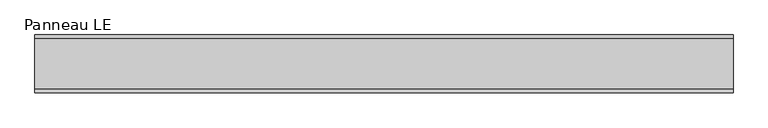
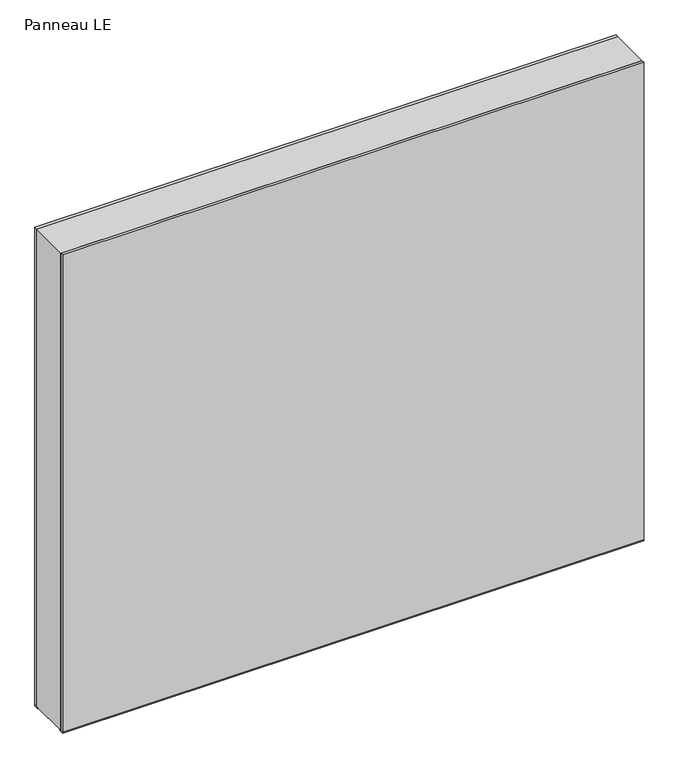
"""IFC4 building model written with IfcOpenShell, lengths in millimetres: plate geometry, Panneau LE."""

from ifc_helpers import new_model, si_unit, frame, origin, origin_with_axes, place, context, project, spatial, polyline, outline, extrude, source, transform, mapped, element, save


def panneau_le_d49adb92(model_context):
    return source(origin(), model_context, "Body", "SweptSolid", [
        extrude(outline(polyline([(946.5, 544.8750001), (946.5, -544.8750001), (0.0, -544.8750001), (0.0, 544.8750001), (946.5, 544.8750001)]), holes=[polyline([(60.0, -504.8750001), (920.5, -504.8750001), (920.5, 504.8750001), (60.0, 504.8750001), (60.0, -504.8750001)])]), frame((0.0, -39.0, 0.0), z_axis=(0.0, 1.0, 0.0), x_axis=(0.0, 0.0, 1.0)), (0.0, 0.0, 1.0), 78.0),
        extrude(outline(polyline([(-544.8750001, 35.0), (-544.8750001, 45.0), (544.8750001, 45.0), (544.8750001, 35.0), (-544.8750001, 35.0)])), frame((0.0, 0.0, -1.5), z_axis=(0.0, 0.0, 1.0), x_axis=(1.0, 0.0, 0.0)), (0.0, 0.0, 1.0), 1.5),
        extrude(outline(polyline([(-544.8750001, -45.0), (-544.8750001, -35.0), (544.8750001, -35.0), (544.8750001, -45.0), (-544.8750001, -45.0)])), frame((0.0, 0.0, -1.5), z_axis=(0.0, 0.0, 1.0), x_axis=(1.0, 0.0, 0.0)), (0.0, 0.0, 1.0), 1.5),
        extrude(outline(polyline([(544.8750001, 39.0), (-544.8750001, 39.0), (-544.8750001, 45.0), (544.8750001, 45.0), (544.8750001, 39.0)])), origin_with_axes(), (0.0, 0.0, 1.0), 946.5),
        extrude(outline(polyline([(-544.8750001, -45.0), (-544.8750001, -39.0), (544.8750001, -39.0), (544.8750001, -45.0), (-544.8750001, -45.0)])), origin_with_axes(), (0.0, 0.0, 1.0), 946.5),
    ])


if __name__ == "__main__":
    model = new_model("IFC4")
    model_context = context("Model", 3, world=origin())
    ifc_project = project(units=[si_unit("LENGTHUNIT", "METRE", prefix="MILLI")], contexts=[model_context])
    site = spatial("IfcSite", under=ifc_project)
    building = spatial("IfcBuilding", under=site)
    placement = place(None, origin())
    panneau_le_shape = panneau_le_d49adb92(model_context)
    element("IfcPlate", 1, ObjectType="Panneau LE", at=placement, inside=building, context=model_context, shape_type="MappedRepresentation", body=[
        mapped(panneau_le_shape, transform((0.0, 0.0, 0.0), x_axis=(1.0, 0.0, 0.0), y_axis=(0.0, 1.0, 0.0), z_axis=(0.0, 0.0, 1.0))),
    ])
    save(model, "model.ifc")
